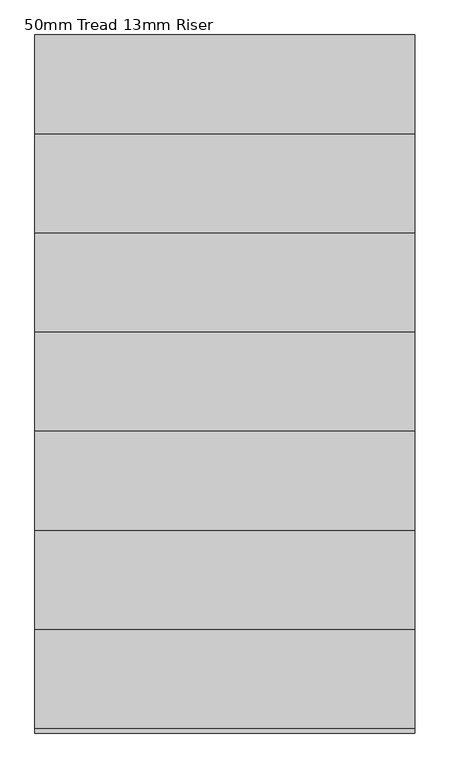
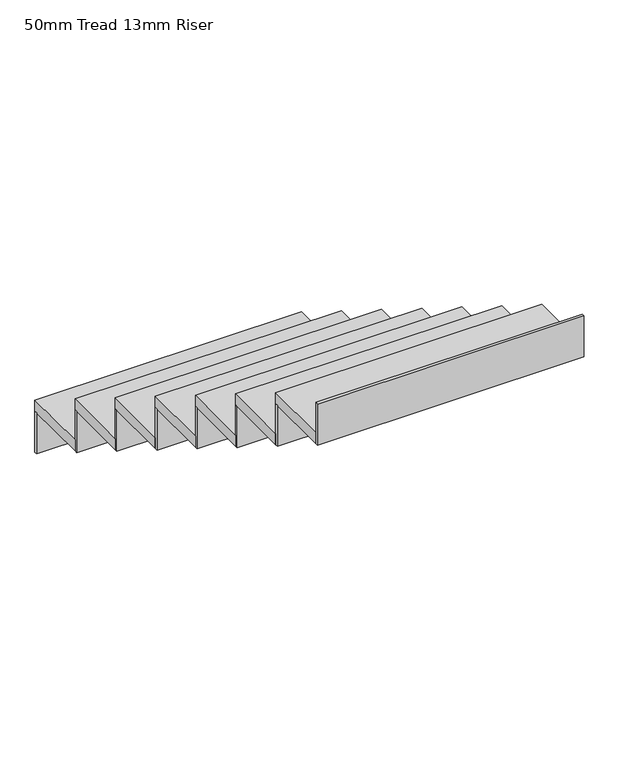
"""IFC4 building model written with IfcOpenShell, lengths in millimetres: stair flight geometry, 50mm Tread 13mm Riser."""

import ifcopenshell
import ifcopenshell.guid

model = None  # the IFC model being written
_history = None  # IfcOwnerHistory: only IFC2X3 demands one
_inside = {}  # id of a spatial element -> (the spatial element, [elements in it])
_under = {}  # id of a project, library or spatial element -> (it, [spatial elements below it])
_declared = {}  # id of a project -> (the project, [libraries it declares])
_typed = {}  # id of a type object -> (the type object, [elements of that type])
_made_of = {}  # id of a material, layer set ... -> (it, [elements and type objects made of it])


def new_model(schema):
    """Start an empty IFC model of exactly this schema.

    Asked for "IFC4X3", IfcOpenShell would pick the latest addendum, in which some entities
    have other attributes; the version numbers below select the first issue.
    IFC2X3 requires an IfcOwnerHistory on every rooted entity: one is made here for all.
    """
    global model, _history
    if schema == "IFC4X3":
        model = ifcopenshell.file(schema_version=(4, 3, 0, 0))
    else:
        model = ifcopenshell.file(schema=schema)
    _inside.clear()
    _under.clear()
    _declared.clear()
    _typed.clear()
    _made_of.clear()
    _history = None
    if model.schema == "IFC2X3":
        org = make("IfcOrganization", Name="unknown")
        user = make(
            "IfcPersonAndOrganization",
            ThePerson=make("IfcPerson", FamilyName="unknown"),
            TheOrganization=org,
        )
        app = make(
            "IfcApplication",
            ApplicationDeveloper=org,
            Version="unknown",
            ApplicationFullName="unknown",
            ApplicationIdentifier="unknown",
        )
        _history = make(
            "IfcOwnerHistory",
            OwningUser=user,
            OwningApplication=app,
            ChangeAction="ADDED",
            CreationDate=0,
        )
    return model


def make(cls, **values):
    """One entity of the class cls with the attributes given. An attribute that is None is left unset."""
    return model.create_entity(
        cls, **{name: value for name, value in values.items() if value is not None}
    )


def rooted(cls, **values):
    """An entity with a GlobalId (a new one), such as an element, a storey or a relation."""
    return make(cls, GlobalId=ifcopenshell.guid.new(), OwnerHistory=_history, **values)


def si_unit(unit_type, name, prefix=None):
    """IfcSIUnit, for example si_unit("LENGTHUNIT", "METRE", prefix="MILLI")."""
    return make("IfcSIUnit", UnitType=unit_type, Prefix=prefix, Name=name)


def assignment(units):
    """IfcUnitAssignment: the units of a project."""
    return None if units is None else make("IfcUnitAssignment", Units=units)


def point(xyz):
    """IfcCartesianPoint."""
    return None if xyz is None else make("IfcCartesianPoint", Coordinates=xyz)


def direction(xyz):
    """IfcDirection."""
    return None if xyz is None else make("IfcDirection", DirectionRatios=xyz)


def frame(location, z_axis=None, x_axis=None):
    """IfcAxis2Placement3D, a coordinate frame: its origin and axes. An axis left out is left unset."""
    return make(
        "IfcAxis2Placement3D",
        Location=point(location),
        Axis=direction(z_axis),
        RefDirection=direction(x_axis),
    )


def origin():
    """The frame at (0, 0, 0) with its axes left unset."""
    return frame((0.0, 0.0, 0.0))


def place(relative_to, where):
    """IfcLocalPlacement: puts the frame where relative to a parent placement (None: the world)."""
    return make(
        "IfcLocalPlacement", PlacementRelTo=relative_to, RelativePlacement=where
    )


def context(
    kind, dimensions, precision=None, world=None, true_north=None, identifier=None
):
    """IfcGeometricRepresentationContext, for example the 3D "Model" context."""
    return make(
        "IfcGeometricRepresentationContext",
        ContextIdentifier=identifier,
        ContextType=kind,
        CoordinateSpaceDimension=dimensions,
        Precision=precision,
        WorldCoordinateSystem=world,
        TrueNorth=true_north,
    )


def project(units=None, contexts=None):
    """IfcProject with its units and contexts."""
    return rooted(
        "IfcProject",
        Name="project",
        RepresentationContexts=contexts,
        UnitsInContext=assignment(units),
    )


def spatial(cls, under=None, at=None, **own):
    """A site, building, storey or space (cls), placed at a placement, below another one or the project."""
    s = rooted(cls, ObjectPlacement=at, **own)
    if under is not None:
        _under.setdefault(under.id(), (under, []))[1].append(s)
    return s


def polyline(points):
    """IfcPolyline through the points."""
    return make("IfcPolyline", Points=[point(p) for p in points])


def outline(outer, holes=None, kind="AREA"):
    """IfcArbitraryClosedProfileDef: a profile drawn as a closed curve; with holes, ...WithVoids."""
    if holes is None:
        return make("IfcArbitraryClosedProfileDef", ProfileType=kind, OuterCurve=outer)
    return make(
        "IfcArbitraryProfileDefWithVoids",
        ProfileType=kind,
        OuterCurve=outer,
        InnerCurves=holes,
    )


def extrude(swept, where, along, depth):
    """IfcExtrudedAreaSolid: the profile swept, set in the frame where, extruded along a direction by depth."""
    return make(
        "IfcExtrudedAreaSolid",
        SweptArea=swept,
        Position=where,
        ExtrudedDirection=direction(along),
        Depth=depth,
    )


def shape(context_of_items, identifier, shape_type, items):
    """IfcShapeRepresentation: the items that make up one representation, for example the "Body"."""
    return make(
        "IfcShapeRepresentation",
        ContextOfItems=context_of_items,
        RepresentationIdentifier=identifier,
        RepresentationType=shape_type,
        Items=items,
    )


def source(mapping_origin, context_of_items, identifier, shape_type, items):
    """IfcRepresentationMap: a shape defined once, which mapped items show again and again."""
    return make(
        "IfcRepresentationMap",
        MappingOrigin=mapping_origin,
        MappedRepresentation=shape(context_of_items, identifier, shape_type, items),
    )


def transform(
    local_origin,
    x_axis=None,
    y_axis=None,
    z_axis=None,
    scale=None,
    scale2=None,
    scale3=None,
    uniform=True,
):
    """IfcCartesianTransformationOperator3D, or its non-uniform kind. x_axis, y_axis, z_axis: its Axis1, 2, 3."""
    if uniform:
        return make(
            "IfcCartesianTransformationOperator3D",
            Axis1=direction(x_axis),
            Axis2=direction(y_axis),
            LocalOrigin=point(local_origin),
            Scale=scale,
            Axis3=direction(z_axis),
        )
    return make(
        "IfcCartesianTransformationOperator3DnonUniform",
        Axis1=direction(x_axis),
        Axis2=direction(y_axis),
        LocalOrigin=point(local_origin),
        Scale=scale,
        Axis3=direction(z_axis),
        Scale2=scale2,
        Scale3=scale3,
    )


def mapped(mapping_source, mapping_target):
    """IfcMappedItem: shows the shape of a source again, moved by a transform."""
    return make(
        "IfcMappedItem", MappingSource=mapping_source, MappingTarget=mapping_target
    )


def made_of(thing, what):
    """Note that an element or type object is made of a material, layer set ...; save() writes the relation."""
    if what is not None:
        _made_of.setdefault(what.id(), (what, []))[1].append(thing)
    return thing


def element(
    cls,
    number,
    at=None,
    inside=None,
    cuts=None,
    type_object=None,
    material=None,
    context=None,
    identifier="Body",
    shape_type=None,
    held_by="IfcProductDefinitionShape",
    body=None,
    shapes=None,
    **own,
):
    """One element of the class cls, such as IfcWall. Its Tag is "e" and its number.

    at: its placement. inside: the storey or other place that contains it. cuts: it is an
    opening in that element (IfcRelVoidsElement). A single representation is given by context,
    identifier, shape_type and body (its items); several are given by shapes. held_by: the class
    of the entity that holds the representations. save() writes the other relations.
    """
    e = rooted(cls, Tag="e%d" % number, ObjectPlacement=at, **own)
    if body is not None:
        shapes = [shape(context, identifier, shape_type, body)]
    if shapes is not None:
        e.Representation = make(held_by, Representations=shapes)
    if inside is not None:
        _inside.setdefault(inside.id(), (inside, []))[1].append(e)
    if cuts is not None:
        rooted(
            "IfcRelVoidsElement", RelatingBuildingElement=cuts, RelatedOpeningElement=e
        )
    if type_object is not None:
        _typed.setdefault(type_object.id(), (type_object, []))[1].append(e)
    return made_of(e, material)


def aggregate(whole, parts):
    """IfcRelAggregates: a whole, such as a stair, and the parts it consists of."""
    return rooted("IfcRelAggregates", RelatingObject=whole, RelatedObjects=parts)


def save(model, path):
    """Write the relations noted so far, then the file.

    IfcRelAggregates (storeys below a building ...), IfcRelContainedInSpatialStructure (elements
    in a storey), IfcRelDefinesByType, IfcRelAssociatesMaterial and IfcRelDeclares: one each for
    every whole, place, type object, material and project.
    """
    for whole, parts in _under.values():
        aggregate(whole, parts)
    for where, things in _inside.values():
        rooted(
            "IfcRelContainedInSpatialStructure",
            RelatedElements=things,
            RelatingStructure=where,
        )
    for kind, things in _typed.values():
        rooted("IfcRelDefinesByType", RelatedObjects=things, RelatingType=kind)
    for what, things in _made_of.values():
        rooted("IfcRelAssociatesMaterial", RelatedObjects=things, RelatingMaterial=what)
    for by, libraries in _declared.values():
        rooted("IfcRelDeclares", RelatingContext=by, RelatedDefinitions=libraries)
    model.write(path)


def stair_flight_50mm_tread_13mm_riser_fcf2fee1(model_context):
    return source(origin(), model_context, "Body", "SweptSolid", [
        extrude(outline(polyline([(1684.355623, -9384.865151), (1684.355623, -9372.365151), (2834.355623, -9372.365151), (2834.355623, -9384.865151), (1684.355623, -9384.865151)])), frame((0.0, 0.0, 7450.0), z_axis=(0.0, 0.0, 1.0), x_axis=(1.0, 0.0, 0.0)), (0.0, 0.0, 1.0), 187.5),
        extrude(outline(polyline([(2834.355623, -9672.365151), (1684.355623, -9672.365151), (1684.355623, -9372.365151), (2834.355623, -9372.365151), (2834.355623, -9672.365151)])), frame((0.0, 0.0, 7637.5), z_axis=(0.0, 0.0, 1.0), x_axis=(1.0, 0.0, 0.0)), (0.0, 0.0, 1.0), 50.0),
        extrude(outline(polyline([(1684.355623, -9684.865151), (1684.355623, -9672.365151), (2834.355623, -9672.365151), (2834.355623, -9684.865151), (1684.355623, -9684.865151)])), frame((0.0, 0.0, 7637.5), z_axis=(0.0, 0.0, 1.0), x_axis=(1.0, 0.0, 0.0)), (0.0, 0.0, 1.0), 187.5),
        extrude(outline(polyline([(2834.355623, -9972.365151), (1684.355623, -9972.365151), (1684.355623, -9672.365151), (2834.355623, -9672.365151), (2834.355623, -9972.365151)])), frame((0.0, 0.0, 7825.0), z_axis=(0.0, 0.0, 1.0), x_axis=(1.0, 0.0, 0.0)), (0.0, 0.0, 1.0), 50.0),
        extrude(outline(polyline([(1684.355623, -9984.865151), (1684.355623, -9972.365151), (2834.355623, -9972.365151), (2834.355623, -9984.865151), (1684.355623, -9984.865151)])), frame((0.0, 0.0, 7825.0), z_axis=(0.0, 0.0, 1.0), x_axis=(1.0, 0.0, 0.0)), (0.0, 0.0, 1.0), 187.5),
        extrude(outline(polyline([(2834.355623, -10272.365151), (1684.355623, -10272.365151), (1684.355623, -9972.365151), (2834.355623, -9972.365151), (2834.355623, -10272.365151)])), frame((0.0, 0.0, 8012.5), z_axis=(0.0, 0.0, 1.0), x_axis=(1.0, 0.0, 0.0)), (0.0, 0.0, 1.0), 50.0),
        extrude(outline(polyline([(1684.355623, -10284.865151), (1684.355623, -10272.365151), (2834.355623, -10272.365151), (2834.355623, -10284.865151), (1684.355623, -10284.865151)])), frame((0.0, 0.0, 8012.5), z_axis=(0.0, 0.0, 1.0), x_axis=(1.0, 0.0, 0.0)), (0.0, 0.0, 1.0), 187.5),
        extrude(outline(polyline([(2834.355623, -10572.365151), (1684.355623, -10572.365151), (1684.355623, -10272.365151), (2834.355623, -10272.365151), (2834.355623, -10572.365151)])), frame((0.0, 0.0, 8200.0), z_axis=(0.0, 0.0, 1.0), x_axis=(1.0, 0.0, 0.0)), (0.0, 0.0, 1.0), 50.0),
        extrude(outline(polyline([(1684.355623, -10584.865151), (1684.355623, -10572.365151), (2834.355623, -10572.365151), (2834.355623, -10584.865151), (1684.355623, -10584.865151)])), frame((0.0, 0.0, 8200.0), z_axis=(0.0, 0.0, 1.0), x_axis=(1.0, 0.0, 0.0)), (0.0, 0.0, 1.0), 187.5),
        extrude(outline(polyline([(2834.355623, -10872.365151), (1684.355623, -10872.365151), (1684.355623, -10572.365151), (2834.355623, -10572.365151), (2834.355623, -10872.365151)])), frame((0.0, 0.0, 8387.5), z_axis=(0.0, 0.0, 1.0), x_axis=(1.0, 0.0, 0.0)), (0.0, 0.0, 1.0), 50.0),
        extrude(outline(polyline([(1684.355623, -10884.865151), (1684.355623, -10872.365151), (2834.355623, -10872.365151), (2834.355623, -10884.865151), (1684.355623, -10884.865151)])), frame((0.0, 0.0, 8387.5), z_axis=(0.0, 0.0, 1.0), x_axis=(1.0, 0.0, 0.0)), (0.0, 0.0, 1.0), 187.5),
        extrude(outline(polyline([(2834.355623, -11172.365151), (1684.355623, -11172.365151), (1684.355623, -10872.365151), (2834.355623, -10872.365151), (2834.355623, -11172.365151)])), frame((0.0, 0.0, 8575.0), z_axis=(0.0, 0.0, 1.0), x_axis=(1.0, 0.0, 0.0)), (0.0, 0.0, 1.0), 50.0),
        extrude(outline(polyline([(1684.355623, -11184.865151), (1684.355623, -11172.365151), (2834.355623, -11172.365151), (2834.355623, -11184.865151), (1684.355623, -11184.865151)])), frame((0.0, 0.0, 8575.0), z_axis=(0.0, 0.0, 1.0), x_axis=(1.0, 0.0, 0.0)), (0.0, 0.0, 1.0), 187.5),
        extrude(outline(polyline([(1684.355623, -11484.865151), (1684.355623, -11472.365151), (2834.355623, -11472.365151), (2834.355623, -11484.865151), (1684.355623, -11484.865151)])), frame((0.0, 0.0, 8762.5), z_axis=(0.0, 0.0, 1.0), x_axis=(1.0, 0.0, 0.0)), (0.0, 0.0, 1.0), 187.5),
        extrude(outline(polyline([(2834.355623, -11472.365151), (1684.355623, -11472.365151), (1684.355623, -11172.365151), (2834.355623, -11172.365151), (2834.355623, -11472.365151)])), frame((0.0, 0.0, 8762.5), z_axis=(0.0, 0.0, 1.0), x_axis=(1.0, 0.0, 0.0)), (0.0, 0.0, 1.0), 50.0),
    ])


if __name__ == "__main__":
    model = new_model("IFC4")
    model_context = context("Model", 3, world=origin())
    ifc_project = project(units=[si_unit("LENGTHUNIT", "METRE", prefix="MILLI")], contexts=[model_context])
    site = spatial("IfcSite", under=ifc_project)
    building = spatial("IfcBuilding", under=site)
    placement = place(None, origin())
    stair_flight_50mm_tread_13mm_riser_shape = stair_flight_50mm_tread_13mm_riser_fcf2fee1(model_context)
    element("IfcStairFlight", 1, ObjectType="50mm Tread 13mm Riser", at=placement, inside=building, context=model_context, shape_type="MappedRepresentation", body=[
        mapped(stair_flight_50mm_tread_13mm_riser_shape, transform((0.0, 0.0, 0.0), x_axis=(1.0, 0.0, 0.0), y_axis=(0.0, 1.0, 0.0), z_axis=(0.0, 0.0, 1.0))),
    ])
    save(model, "model.ifc")
